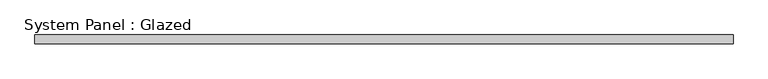
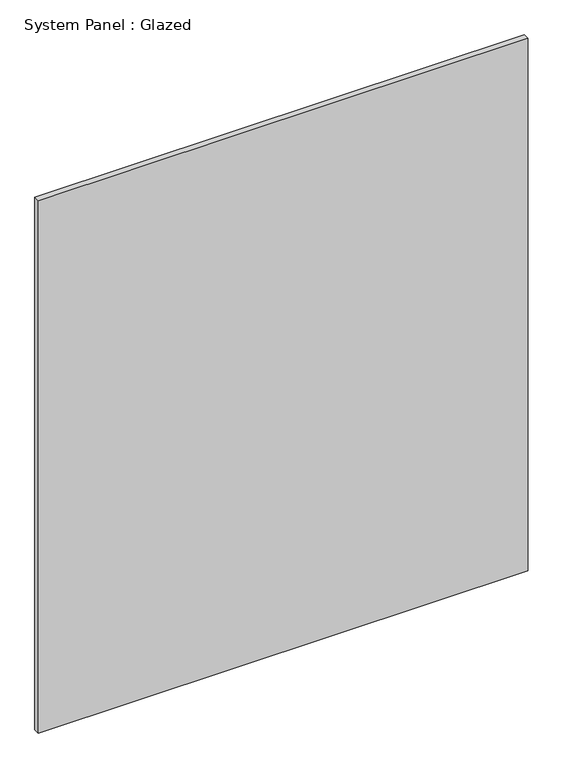
"""IFC4 building model written with IfcOpenShell, lengths in millimetres: plate geometry, System Panel : Glazed."""

from ifc_helpers import new_model, si_unit, origin, origin_with_axes, place, context, project, spatial, polyline, outline, extrude, source, transform, mapped, element, save


def system_panel_glazed_6657f88b(model_context):
    return source(origin(), model_context, "Body", "SweptSolid", [
        extrude(outline(polyline([(1019.175, 19.05), (-1019.175, 19.05), (-1019.175, 44.45), (1019.175, 44.45), (1019.175, 19.05)])), origin_with_axes(), (0.0, 0.0, 1.0), 2343.15),
    ])


if __name__ == "__main__":
    model = new_model("IFC4")
    model_context = context("Model", 3, world=origin())
    ifc_project = project(units=[si_unit("LENGTHUNIT", "METRE", prefix="MILLI")], contexts=[model_context])
    site = spatial("IfcSite", under=ifc_project)
    building = spatial("IfcBuilding", under=site)
    placement = place(None, origin())
    system_panel_glazed_shape = system_panel_glazed_6657f88b(model_context)
    element("IfcPlate", 1, ObjectType="System Panel : Glazed", at=placement, inside=building, context=model_context, shape_type="MappedRepresentation", body=[
        mapped(system_panel_glazed_shape, transform((0.0, 0.0, 0.0), x_axis=(1.0, 0.0, 0.0), y_axis=(0.0, 1.0, 0.0), z_axis=(0.0, 0.0, 1.0))),
    ])
    save(model, "model.ifc")
